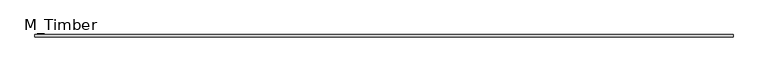
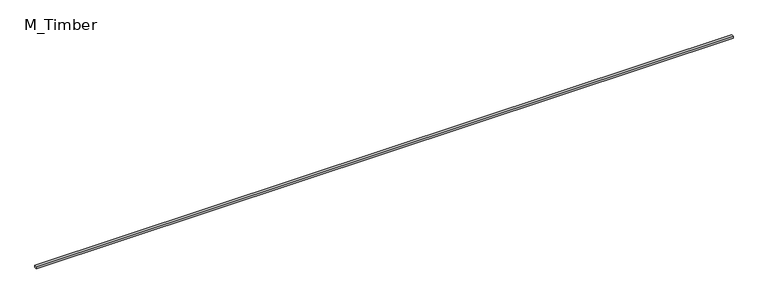
"""IFC4 building model written with IfcOpenShell, lengths in millimetres: beam geometry, M_Timber."""

from ifc_helpers import new_model, si_unit, frame, origin, place, context, project, spatial, polyline, outline, extrude, source, transform, mapped, element, save


def m_timber_b18c330a(model_context):
    return source(origin(), model_context, "Body", "SweptSolid", [
        extrude(outline(polyline([(6012.3763174, 20.0), (6012.3763174, -20.0), (-6012.3763174, -20.0), (-6012.3763174, 20.0), (6012.3763174, 20.0)])), frame((0.0, 0.0, -20.0), z_axis=(0.0, 0.0, 1.0), x_axis=(1.0, 0.0, 0.0)), (0.0, 0.0, 1.0), 40.0),
    ])


if __name__ == "__main__":
    model = new_model("IFC4")
    model_context = context("Model", 3, world=origin())
    ifc_project = project(units=[si_unit("LENGTHUNIT", "METRE", prefix="MILLI")], contexts=[model_context])
    site = spatial("IfcSite", under=ifc_project)
    building = spatial("IfcBuilding", under=site)
    placement = place(None, origin())
    m_timber_shape = m_timber_b18c330a(model_context)
    element("IfcBeam", 1, ObjectType="M_Timber", at=placement, inside=building, context=model_context, shape_type="MappedRepresentation", body=[
        mapped(m_timber_shape, transform((0.0, 0.0, 0.0), x_axis=(1.0, 0.0, 0.0), y_axis=(0.0, 1.0, 0.0), z_axis=(0.0, 0.0, 1.0))),
    ])
    save(model, "model.ifc")
